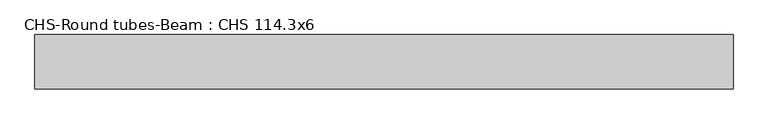
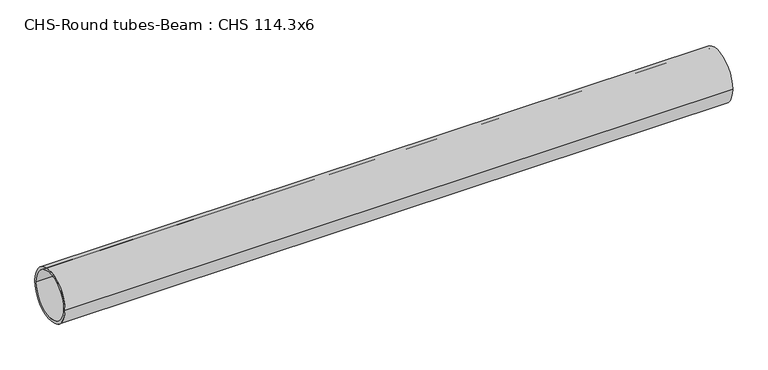
"""IFC4 building model written with IfcOpenShell, lengths in millimetres: beam geometry, CHS-Round tubes-Beam : CHS 114.3x6."""

from ifc_helpers import new_model, si_unit, point, frame, origin, origin_2d, place, context, project, spatial, circle_curve, trimmed, segment, composite_curve, outline, extrude, source, transform, mapped, element, save


def chs_round_tubes_beam_chs_114_3x6_bbad5ab1(model_context):
    return source(origin(), model_context, "Body", "SweptSolid", [
        extrude(outline(composite_curve([segment(trimmed(circle_curve(origin_2d(), 57.15), [point((57.15, 0.0))], [point((-57.15, 0.0))], False, "CARTESIAN"), True, "CONTINUOUS"), segment(trimmed(circle_curve(origin_2d(), 57.15), [point((-57.15, 0.0))], [point((57.15, 0.0))], False, "CARTESIAN"), True, "CONTINUOUS")], self_intersect=False), holes=[composite_curve([segment(trimmed(circle_curve(origin_2d(), 51.15), [point((51.15, 0.0))], [point((-51.15, 0.0))], True, "CARTESIAN"), True, "CONTINUOUS"), segment(trimmed(circle_curve(origin_2d(), 51.15), [point((-51.15, 0.0))], [point((51.15, 0.0))], True, "CARTESIAN"), True, "CONTINUOUS")], self_intersect=False)]), frame((-744.4842906, 0.0, 0.0), z_axis=(1.0, 0.0, 0.0), x_axis=(0.0, 1.0, 0.0)), (0.0, 0.0, 1.0), 1465.2274408),
    ])


if __name__ == "__main__":
    model = new_model("IFC4")
    model_context = context("Model", 3, world=origin())
    ifc_project = project(units=[si_unit("LENGTHUNIT", "METRE", prefix="MILLI")], contexts=[model_context])
    site = spatial("IfcSite", under=ifc_project)
    building = spatial("IfcBuilding", under=site)
    placement = place(None, origin())
    chs_round_tubes_beam_chs_114_3x6_shape = chs_round_tubes_beam_chs_114_3x6_bbad5ab1(model_context)
    element("IfcBeam", 1, ObjectType="CHS-Round tubes-Beam : CHS 114.3x6", at=placement, inside=building, context=model_context, shape_type="MappedRepresentation", body=[
        mapped(chs_round_tubes_beam_chs_114_3x6_shape, transform((0.0, 0.0, 0.0), x_axis=(1.0, 0.0, 0.0), y_axis=(0.0, 1.0, 0.0), z_axis=(0.0, 0.0, 1.0))),
    ])
    save(model, "model.ifc")
